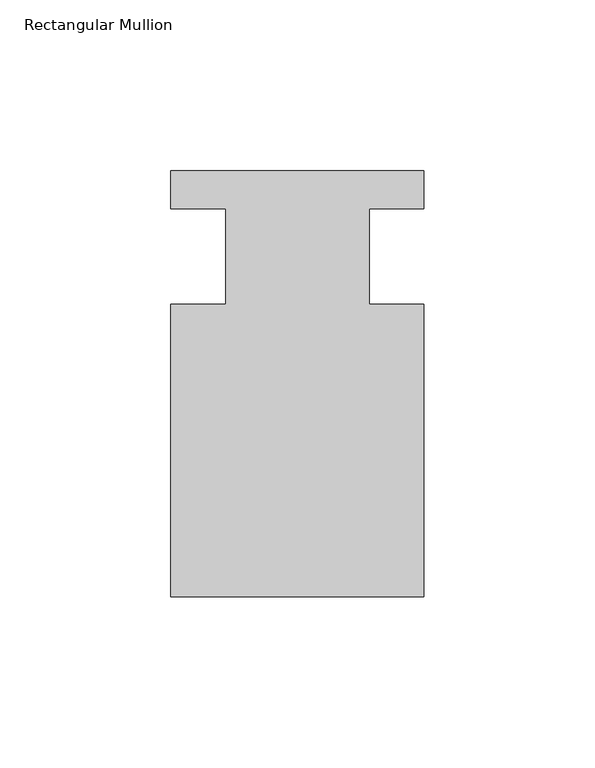
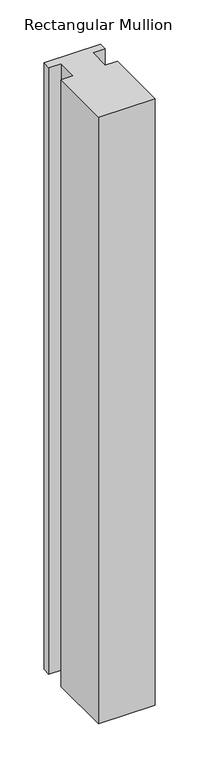
"""IFC4 building model written with IfcOpenShell, lengths in millimetres: member geometry, Rectangular Mullion."""

from ifc_helpers import new_model, si_unit, frame, origin, place, context, project, spatial, polyline, outline, extrude, source, transform, mapped, element, save


def rectangular_mullion_edf4a540(model_context):
    return source(origin(), model_context, "Body", "SweptSolid", [
        extrude(outline(polyline([(-20.9800745, -13.9998907), (-20.9800745, 14.0), (-37.0, 14.0), (-37.0, 25.0), (36.9800745, 25.0), (36.9800745, 14.0), (20.9800745, 14.0), (20.9800745, -13.9998907), (37.0, -13.9998907), (37.0, -99.5), (-37.0, -99.5), (-37.0, -13.9998907), (-20.9800745, -13.9998907)])), frame((0.0, 0.0, -840.6534772), z_axis=(0.0, 0.0, 1.0), x_axis=(1.0, 0.0, 0.0)), (0.0, 0.0, 1.0), 840.6534772),
    ])


if __name__ == "__main__":
    model = new_model("IFC4")
    model_context = context("Model", 3, world=origin())
    ifc_project = project(units=[si_unit("LENGTHUNIT", "METRE", prefix="MILLI")], contexts=[model_context])
    site = spatial("IfcSite", under=ifc_project)
    building = spatial("IfcBuilding", under=site)
    placement = place(None, origin())
    rectangular_mullion_shape = rectangular_mullion_edf4a540(model_context)
    element("IfcMember", 1, ObjectType="Rectangular Mullion", at=placement, inside=building, context=model_context, shape_type="MappedRepresentation", body=[
        mapped(rectangular_mullion_shape, transform((0.0, 0.0, 0.0), x_axis=(1.0, 0.0, 0.0), y_axis=(0.0, 1.0, 0.0), z_axis=(0.0, 0.0, 1.0))),
    ])
    save(model, "model.ifc")
